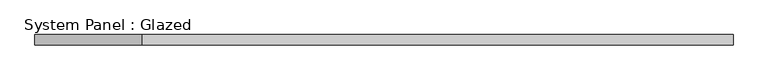
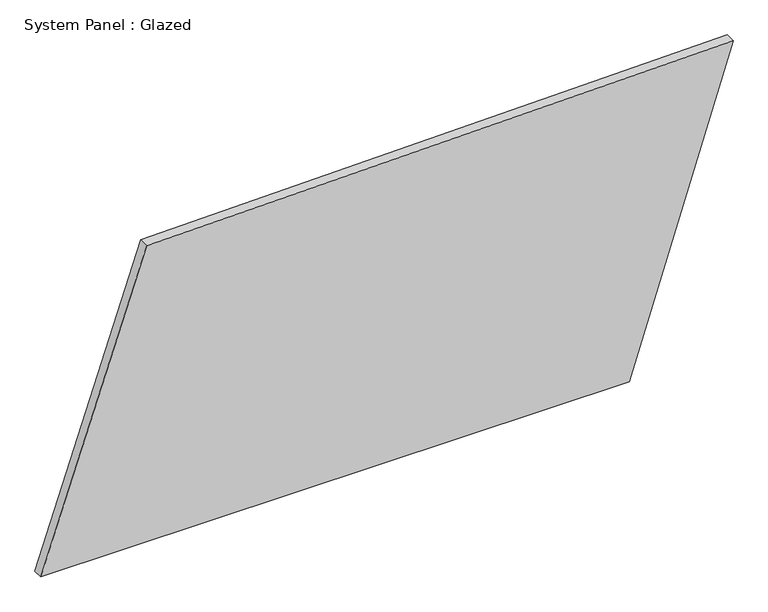
"""IFC4 building model written with IfcOpenShell, lengths in millimetres: plate geometry, System Panel : Glazed."""

from ifc_helpers import new_model, si_unit, frame, origin, place, context, project, spatial, polyline, outline, extrude, source, transform, mapped, element, save


def system_panel_glazed_10f9db1b(model_context):
    return source(origin(), model_context, "Body", "SweptSolid", [
        extrude(outline(polyline([(0.0, -851.21043), (0.0, 596.095025), (797.7237398, 851.21043), (769.8235941, -591.2022505), (0.0, -851.21043)])), frame((0.0, -49.5, 0.0), z_axis=(0.0, 1.0, 0.0), x_axis=(0.0, 0.0, 1.0)), (0.0, 0.0, 1.0), 25.0),
    ])


if __name__ == "__main__":
    model = new_model("IFC4")
    model_context = context("Model", 3, world=origin())
    ifc_project = project(units=[si_unit("LENGTHUNIT", "METRE", prefix="MILLI")], contexts=[model_context])
    site = spatial("IfcSite", under=ifc_project)
    building = spatial("IfcBuilding", under=site)
    placement = place(None, origin())
    system_panel_glazed_shape = system_panel_glazed_10f9db1b(model_context)
    element("IfcPlate", 1, ObjectType="System Panel : Glazed", at=placement, inside=building, context=model_context, shape_type="MappedRepresentation", body=[
        mapped(system_panel_glazed_shape, transform((0.0, 0.0, 0.0), x_axis=(1.0, 0.0, 0.0), y_axis=(0.0, 1.0, 0.0), z_axis=(0.0, 0.0, 1.0))),
    ])
    save(model, "model.ifc")
